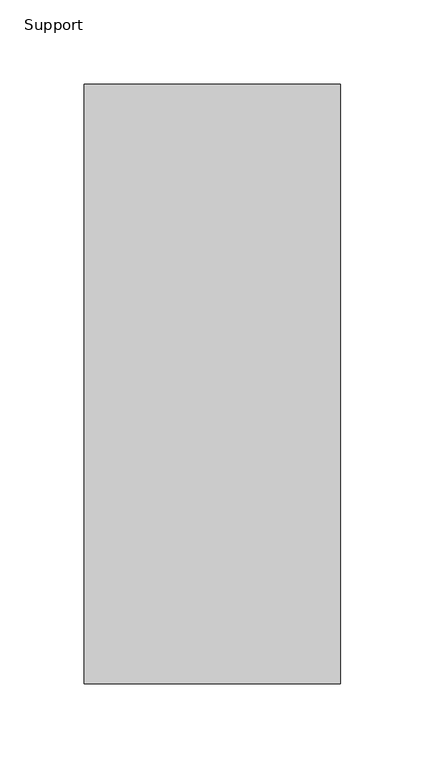
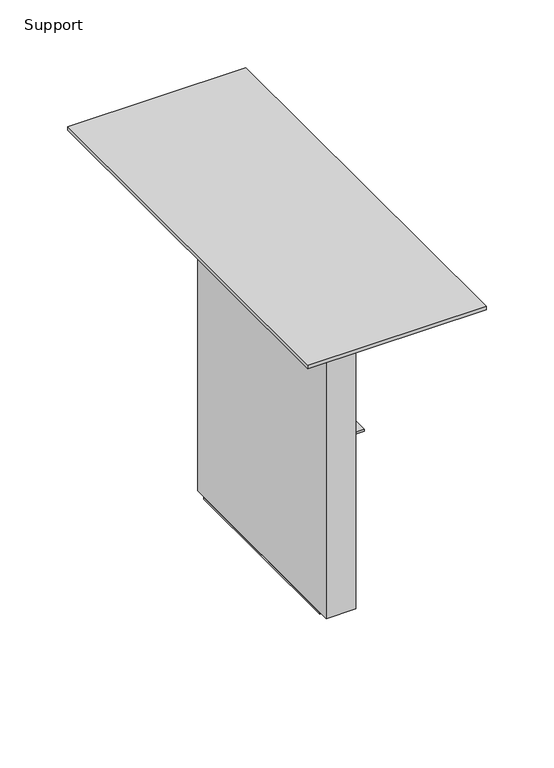
"""IFC4 building model written with IfcOpenShell, lengths in millimetres: furniture geometry, Support."""

from ifc_helpers import new_model, si_unit, frame, origin, place, context, project, spatial, polyline, outline, extrude, source, transform, mapped, element, save


def support_f2b1bb25(model_context):
    return source(origin(), model_context, "Body", "SweptSolid", [
        extrude(outline(polyline([(-18.5789793, 389.7119781), (-18.5789793, 199.2119781), (-43.977429, 199.2119781), (-43.977429, 389.7119781), (-18.5789793, 389.7119781)])), frame((0.0, 0.0, 405.8666144), z_axis=(0.0, 0.0, 1.0), x_axis=(1.0, 0.0, 0.0)), (0.0, 0.0, 1.0), 298.1832891),
        extrude(outline(polyline([(44.9194704, 472.4650665), (44.9194704, 116.4588897), (-107.4805296, 116.4588897), (-107.4805296, 472.4650665), (44.9194704, 472.4650665)])), frame((0.0, 0.0, 704.0499035), z_axis=(0.0, 0.0, 1.0), x_axis=(1.0, 0.0, 0.0)), (0.0, 0.0, 1.0), 3.1750242),
        extrude(outline(polyline([(556.6409869, -6.4308836), (558.2666144, -6.4308836), (558.2666144, -18.5789793), (405.8666144, -18.5789793), (405.8666144, -44.3867064), (404.2409869, -44.3867064), (404.2409869, -16.4460781), (556.6409869, -16.4460781), (556.6409869, -6.4308836)])), frame((0.0, 208.3249982, 0.0), z_axis=(0.0, 1.0, 0.0), x_axis=(0.0, 0.0, 1.0)), (0.0, 0.0, 1.0), 172.0088),
    ])


if __name__ == "__main__":
    model = new_model("IFC4")
    model_context = context("Model", 3, world=origin())
    ifc_project = project(units=[si_unit("LENGTHUNIT", "METRE", prefix="MILLI")], contexts=[model_context])
    site = spatial("IfcSite", under=ifc_project)
    building = spatial("IfcBuilding", under=site)
    placement = place(None, origin())
    support_shape = support_f2b1bb25(model_context)
    element("IfcFurniture", 1, ObjectType="Support", at=placement, inside=building, context=model_context, shape_type="MappedRepresentation", body=[
        mapped(support_shape, transform((0.0, 0.0, 0.0), x_axis=(1.0, 0.0, 0.0), y_axis=(0.0, 1.0, 0.0), z_axis=(0.0, 0.0, 1.0))),
    ])
    save(model, "model.ifc")
